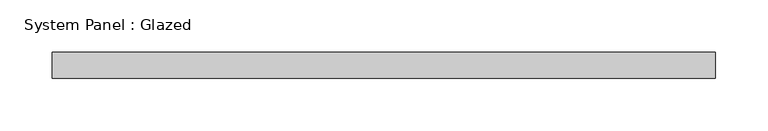
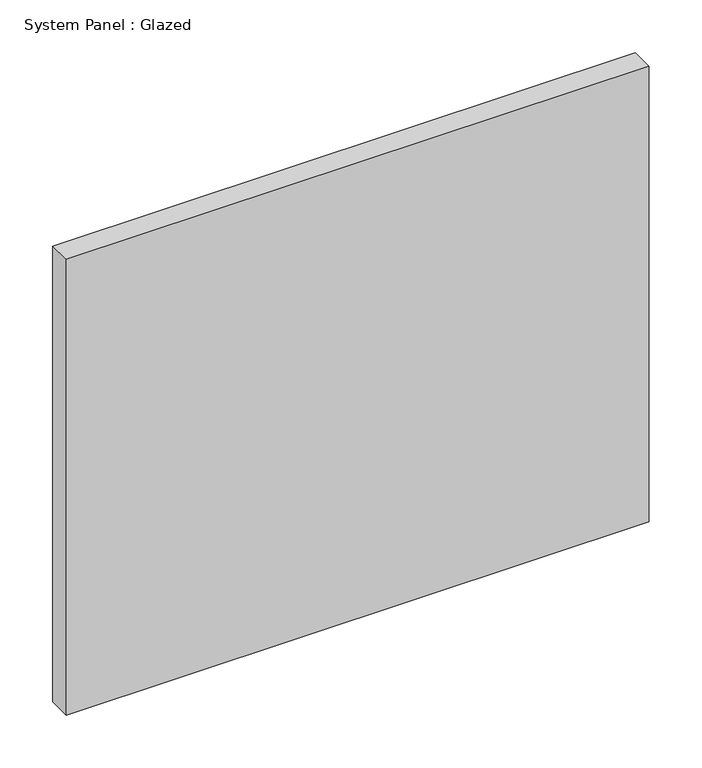
"""IFC4 building model written with IfcOpenShell, lengths in millimetres: plate geometry, System Panel : Glazed."""

from ifc_helpers import new_model, si_unit, origin, origin_with_axes, place, context, project, spatial, polyline, outline, extrude, source, transform, mapped, element, save


def system_panel_glazed_397b512c(model_context):
    return source(origin(), model_context, "Body", "SweptSolid", [
        extrude(outline(polyline([(317.5, -49.5), (-317.5, -49.5), (-317.5, -24.5), (317.5, -24.5), (317.5, -49.5)])), origin_with_axes(), (0.0, 0.0, 1.0), 525.0),
    ])


if __name__ == "__main__":
    model = new_model("IFC4")
    model_context = context("Model", 3, world=origin())
    ifc_project = project(units=[si_unit("LENGTHUNIT", "METRE", prefix="MILLI")], contexts=[model_context])
    site = spatial("IfcSite", under=ifc_project)
    building = spatial("IfcBuilding", under=site)
    placement = place(None, origin())
    system_panel_glazed_shape = system_panel_glazed_397b512c(model_context)
    element("IfcPlate", 1, ObjectType="System Panel : Glazed", at=placement, inside=building, context=model_context, shape_type="MappedRepresentation", body=[
        mapped(system_panel_glazed_shape, transform((0.0, 0.0, 0.0), x_axis=(1.0, 0.0, 0.0), y_axis=(0.0, 1.0, 0.0), z_axis=(0.0, 0.0, 1.0))),
    ])
    save(model, "model.ifc")
